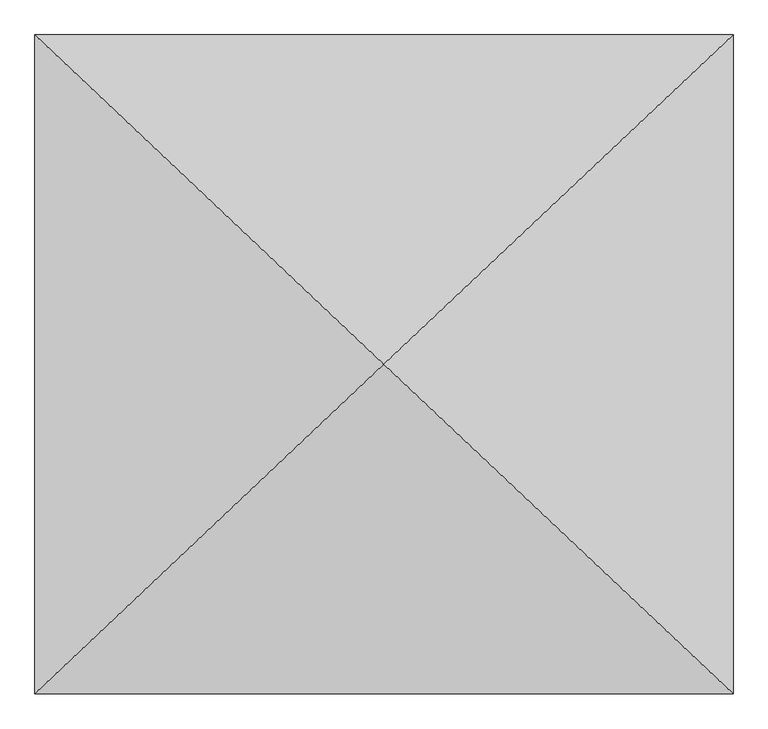
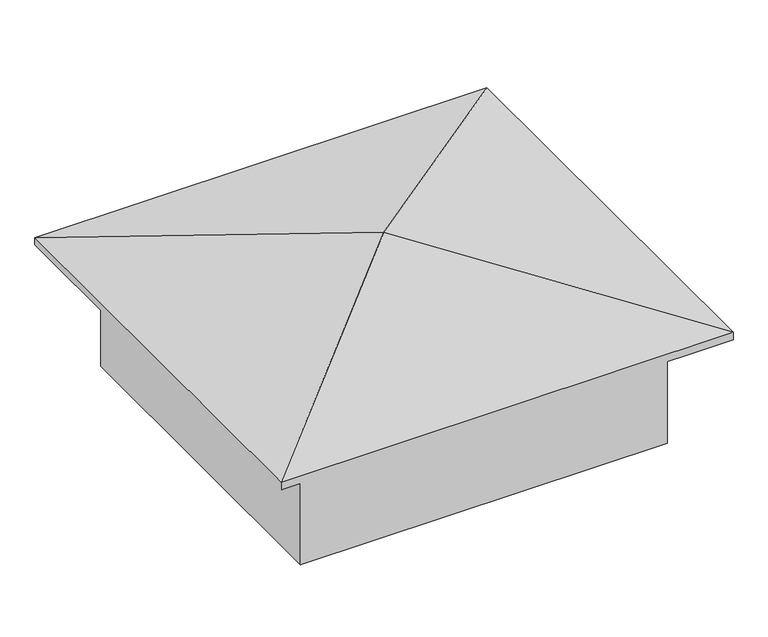
"""IFC4 building model written with IfcOpenShell, lengths in millimetres: geographic element geometry."""

from ifc_helpers import new_model, si_unit, origin, place, context, project, spatial, triangles, source, transform, mapped, element, save


def geographic_element_a05ad3db(model_context):
    return source(origin(), model_context, "Body", "Tessellation", [
        triangles([(3737.1858398, 3525.6470078, 3020.4583672), (0.0, 7051.2940155, 2095.1626659), (0.0, 0.0, 2095.1626659), (7474.3716797, 7051.2940155, 2095.1626659), (7474.3716797, 0.0, 2095.1626659), (7474.3716797, 7051.2940155, 1964.7245522), (0.0, 0.0, 1964.7245522), (0.0, 7051.2940155, 1964.7245522), (7474.3716797, 0.0, 1964.7245522), (6771.3320343, 6388.0490341, 0.0), (703.0395, 663.244836, 0.0), (703.0395, 6388.0490341, 0.0), (6771.3320343, 663.244836, 0.0), (6771.3320343, 663.244836, 2095.1626659), (703.0395, 663.244836, 2095.1626659), (6771.3320343, 6388.0490341, 2095.1626659), (703.0395, 6388.0490341, 2095.1626659)], [[1, 2, 3], [4, 2, 1], [5, 1, 3], [4, 1, 5], [6, 7, 8], [7, 6, 9], [2, 7, 3], [7, 2, 8], [2, 6, 8], [6, 2, 4], [6, 5, 9], [5, 6, 4], [5, 7, 9], [7, 5, 3], [10, 11, 12], [11, 10, 13], [14, 11, 13], [11, 14, 15], [10, 14, 13], [14, 10, 16], [17, 10, 12], [10, 17, 16], [17, 11, 15], [11, 17, 12], [14, 17, 15], [17, 14, 16]]),
    ])


if __name__ == "__main__":
    model = new_model("IFC4")
    model_context = context("Model", 3, world=origin())
    ifc_project = project(units=[si_unit("LENGTHUNIT", "METRE", prefix="MILLI")], contexts=[model_context])
    site = spatial("IfcSite", under=ifc_project)
    building = spatial("IfcBuilding", under=site)
    placement = place(None, origin())
    geographic_element_shape = geographic_element_a05ad3db(model_context)
    element("IfcGeographicElement", 1, at=placement, inside=building, context=model_context, shape_type="MappedRepresentation", body=[
        mapped(geographic_element_shape, transform((0.0, 0.0, 0.0), x_axis=(1.0, 0.0, 0.0), y_axis=(0.0, 1.0, 0.0), z_axis=(0.0, 0.0, 1.0))),
    ])
    save(model, "model.ifc")
